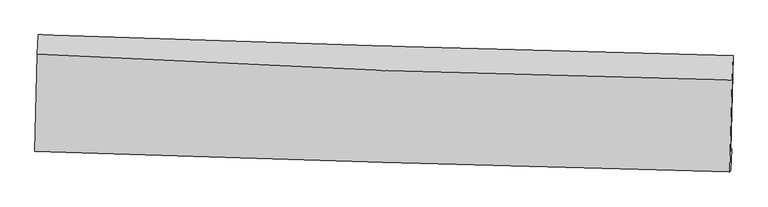
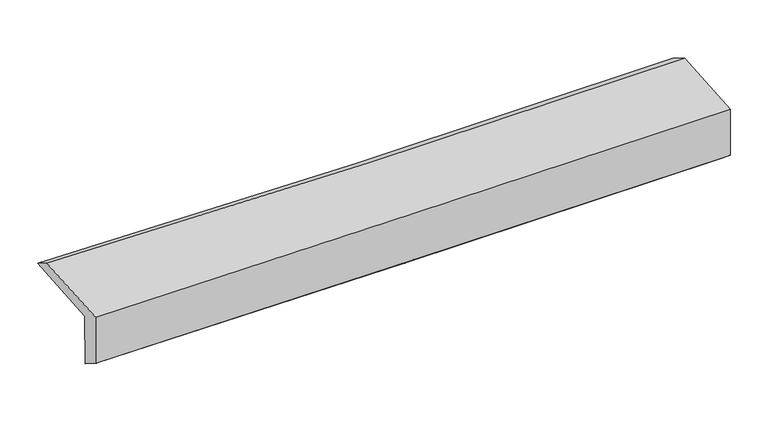
"""IFC4 building model written with IfcOpenShell, lengths in millimetres: proxy geometry."""

from ifc_helpers import new_model, si_unit, frame, origin, place, context, project, spatial, source, transform, mapped, element, save
from ifc_brep_helpers import plane_surface, spline_curve, spline_surface, advanced_brep


def generic_models_3095456d(model_context):
    return source(origin(), model_context, "Body", "AdvancedBrep", [
        advanced_brep(
        [(-2442.1278995, -1725.5104634, 2003.8225585), (-2425.8697207, -1060.5496123, 2030.7952959), (2427.2623046, -1207.0873603, 2108.5661292), (2410.3731716, -1872.541155, 2081.5615014), (-2434.5236807, -1713.0956066, 1603.3170511), (2417.9745977, -1860.1308578, 1681.2030844), (-2440.1843006, -1865.0736016, 1703.9748025), (2411.9250071, -2007.7272172, 1801.9461058), (-2447.5462207, -1877.0928747, 2091.7187118), (2404.563087, -2019.7464903, 2189.6900151), (-2430.7307767, -1193.9674623, 2113.2134785), (2420.992305, -1376.6045267, 2209.9380431)],
        [
            (0, 1),
            (1, 2, spline_curve(3, [(-2425.8697207, -1060.5496123, 2030.7952959), (-1613.564798827, -1088.999773526, 2029.616050782), (-801.308660162, -1115.478809421, 2035.563608177), (816.401213043, -1164.292316347, 2061.6043981), (1621.855749302, -1186.65919629, 2081.580451834), (2427.2623046, -1207.0873603, 2108.5661292)], [4, 2, 4], [0.0, 7.998661862799317, 15.931294110184943])),
            (2, 3),
            (3, 0, spline_curve(3, [(2410.3731716, -1872.541155, 2081.5615014), (1605.063887825, -1852.367584591, 2054.567486573), (799.710333343, -1830.087790295, 2034.58988267), (-817.789283423, -1781.112769254, 2008.559608993), (-1629.936086171, -1754.38233301, 2002.624232307), (-2442.1278995, -1725.5104634, 2003.8225585)], [4, 2, 4], [0.0, 7.932632247385627, 15.931294110184943])),
            (4, 0),
            (3, 5),
            (5, 4, spline_curve(3, [(2417.9745977, -1860.1308578, 1681.2030844), (1612.601868398, -1840.060870213, 1657.550665501), (807.216690901, -1817.832704941, 1639.238628108), (-810.282527329, -1768.857032709, 1613.187342267), (-1622.396775786, -1742.073447315, 1605.537368835), (-2434.5236807, -1713.0956066, 1603.3170511)], [4, 2, 4], [0.0, 7.932064018052878, 15.930152921694194])),
            (6, 4),
            (5, 7),
            (7, 6, spline_curve(3, [(2411.9250071, -2007.7272172, 1801.9461058), (1606.469594144, -1987.039966876, 1784.91802756), (801.075049602, -1964.864007078, 1768.271961424), (-816.295737126, -1917.337688233, 1735.608474502), (-1628.270961717, -1891.962443094, 1719.597439527), (-2440.1843006, -1865.0736016, 1703.9748025)], [4, 2, 4], [0.0, 7.931740565670429, 15.929503324577535])),
            (8, 6),
            (7, 9),
            (9, 8, spline_curve(3, [(2404.563087, -2019.7464903, 2189.6900151), (1599.107674171, -1999.059239801, 2172.661937022), (793.713129373, -1976.883280181, 2156.015870848), (-823.657657297, -1929.356961329, 2123.352383676), (-1635.632881725, -1903.981715996, 2107.341348854), (-2447.5462207, -1877.0928747, 2091.7187118)], [4, 2, 4], [0.0, 7.931561919834486, 15.92914454589409])),
            (10, 8),
            (9, 11),
            (11, 10, spline_curve(3, [(2420.992305, -1376.6045267, 2209.9380431), (1615.274937791, -1362.493646702, 2192.701137177), (809.780792368, -1340.315108603, 2176.053259954), (-807.463966552, -1279.570953019, 2143.801891658), (-1619.210848347, -1240.870469744, 2128.208247601), (-2430.7307767, -1193.9674623, 2113.2134785)], [4, 2, 4], [0.0, 7.932380085704994, 15.9307876878812])),
            (1, 10),
            (11, 2),
        ],
        [
            spline_surface(3, 3, [[(-2442.1278995, -1725.5104634, 2003.8225585), (-1629.936086226, -1754.382333129, 2002.624232274), (-817.789283529, -1781.112769246, 2008.559609107), (799.710333448, -1830.087790303, 2034.589882558), (1605.063887768, -1852.36758469, 2054.567486686), (2410.3731716, -1872.541155, 2081.5615014)], [(-2436.708506572, -1503.856846371, 2012.81347096), (-1624.478990449, -1532.588146604, 2011.621505081), (-812.295742371, -1559.23478266, 2017.56094211), (805.273959951, -1608.155965606, 2043.594721123), (1610.66117491, -1630.464788538, 2063.571808437), (2416.002882588, -1650.723223425, 2090.563044004)], [(-2431.289113628, -1282.203229329, 2021.80438344), (-1619.021894656, -1310.793960066, 2020.618777907), (-806.802201223, -1337.356796109, 2026.562275066), (810.837586444, -1386.224140944, 2052.599559641), (1616.258462088, -1408.561992412, 2072.576130176), (2421.632593612, -1428.905291875, 2099.564586596)], [(-2425.8697207, -1060.5496123, 2030.7952959), (-1613.564798879, -1088.999773541, 2029.616050714), (-801.308660065, -1115.478809523, 2035.56360807), (816.401212947, -1164.292316246, 2061.604398207), (1621.85574923, -1186.65919626, 2081.580451926), (2427.2623046, -1207.0873603, 2108.5661292)]], [4, 4], [4, 2, 4], [0.0, 2.1865751533548887], [0.0, 7.998661862799317, 15.931294110184943]),
            spline_surface(3, 3, [[(-2434.5236807, -1713.0956066, 1603.3170511), (-1622.396775688, -1742.073447341, 1605.537368763), (-810.282527228, -1768.857032629, 1613.187342383), (807.216690801, -1817.83270502, 1639.238627994), (1612.601868485, -1840.060870167, 1657.550665464), (2417.9745977, -1860.1308578, 1681.2030844)], [(-2437.058420322, -1717.233892174, 1736.818886889), (-1624.909879222, -1746.176409244, 1737.899656589), (-812.784779336, -1772.942278194, 1744.978097956), (804.714571676, -1821.917733474, 1771.022379514), (1610.089208237, -1844.163108347, 1789.889605858), (2415.440788991, -1864.267623539, 1814.655890053)], [(-2439.593159878, -1721.372177826, 1870.320722711), (-1627.422982692, -1750.279371226, 1870.261944448), (-815.287031422, -1777.027523681, 1876.768853533), (802.212452573, -1826.00276185, 1902.806131037), (1607.576548016, -1848.26534651, 1922.228546292), (2412.906980309, -1868.404389261, 1948.108695747)], [(-2442.1278995, -1725.5104634, 2003.8225585), (-1629.936086226, -1754.382333129, 2002.624232274), (-817.789283529, -1781.112769246, 2008.559609107), (799.710333448, -1830.087790303, 2034.589882558), (1605.063887768, -1852.36758469, 2054.567486686), (2410.3731716, -1872.541155, 2081.5615014)]], [4, 4], [4, 2, 4], [0.0, 1.2979759086015272], [0.0, 7.9980889036413165, 15.930152921694194]),
            spline_surface(3, 3, [[(-2440.1843006, -1865.0736016, 1703.9748025), (-1628.270961726, -1891.962442983, 1719.59743945), (-816.295737143, -1917.337688338, 1735.60847438), (801.075049618, -1964.864006973, 1768.271961544), (1606.469594262, -1987.039966798, 1784.91802768), (2411.9250071, -2007.7272172, 1801.9461058)], [(-2438.297427299, -1814.414269947, 1670.422218714), (-1626.312899713, -1841.99944445, 1681.577415902), (-814.291333809, -1867.844136433, 1694.801430384), (803.122263375, -1915.853572986, 1725.260850364), (1608.513685662, -1938.046934574, 1742.462240277), (2413.941537292, -1958.52843072, 1761.698432002)], [(-2436.410554001, -1763.754938253, 1636.869634886), (-1624.354837701, -1792.036445875, 1643.557392311), (-812.286930562, -1818.350584535, 1653.994386379), (805.169477044, -1866.843139007, 1682.249739174), (1610.557777085, -1889.053902391, 1700.006452867), (2415.958067508, -1909.32964428, 1721.450758198)], [(-2434.5236807, -1713.0956066, 1603.3170511), (-1622.396775688, -1742.073447341, 1605.537368763), (-810.282527228, -1768.857032629, 1613.187342383), (807.216690801, -1817.83270502, 1639.238627994), (1612.601868485, -1840.060870167, 1657.550665464), (2417.9745977, -1860.1308578, 1681.2030844)]], [4, 4], [4, 2, 4], [0.0, 0.6367781907664992], [0.0, 7.997762758907106, 15.929503324577535]),
            spline_surface(3, 3, [[(-2447.5462207, -1877.0928747, 2091.7187118), (-1635.632881826, -1903.981716083, 2107.34134875), (-823.657657343, -1929.356961438, 2123.35238368), (793.713129418, -1976.883280073, 2156.015870844), (1599.107674162, -1999.059239898, 2172.66193698), (2404.563087, -2019.7464903, 2189.6900151)], [(-2445.092247329, -1873.086450327, 1962.47074203), (-1633.178908455, -1899.975291711, 1978.09337898), (-821.203683972, -1925.350537065, 1994.104413911), (796.167102789, -1972.8768557, 2026.767901075), (1601.561647533, -1995.052815525, 2043.413967211), (2407.017060371, -2015.740065927, 2060.44204533)], [(-2442.638273971, -1869.080025973, 1833.22277227), (-1630.724935097, -1895.968867356, 1848.84540922), (-818.749710514, -1921.344112711, 1864.85644415), (798.621076247, -1968.870431346, 1897.519931314), (1604.015620891, -1991.04639117, 1914.16599745), (2409.471033729, -2011.733641573, 1931.19407557)], [(-2440.1843006, -1865.0736016, 1703.9748025), (-1628.270961726, -1891.962442983, 1719.59743945), (-816.295737143, -1917.337688338, 1735.60847438), (801.075049618, -1964.864006973, 1768.271961544), (1606.469594262, -1987.039966798, 1784.91802768), (2411.9250071, -2007.7272172, 1801.9461058)]], [4, 4], [4, 2, 4], [0.0, 1.2729658792650842], [0.0, 7.997582626059604, 15.92914454589409]),
            spline_surface(3, 3, [[(-2430.7307767, -1193.9674623, 2113.2134785), (-1619.210848242, -1240.870469792, 2128.208247471), (-807.463966496, -1279.570953107, 2143.80189168), (809.780792313, -1340.315108516, 2176.053259932), (1615.274937789, -1362.493646667, 2192.701137255), (2420.992305, -1376.6045267, 2209.9380431)], [(-2436.335924696, -1421.675933119, 2106.048556274), (-1624.684859433, -1461.907551908, 2121.252614571), (-812.861863426, -1496.1662892, 2136.985389027), (804.4249047, -1552.504499018, 2169.37413025), (1609.885849915, -1574.682177774, 2186.021403853), (2415.515899002, -1590.985181263, 2203.188700456)], [(-2441.941072704, -1649.384403881, 2098.883634026), (-1630.158870636, -1682.944633967, 2114.29698165), (-818.259760413, -1712.761625345, 2130.168886334), (799.069017031, -1764.693889571, 2162.695000527), (1604.496762036, -1786.870708791, 2179.341670382), (2410.039492998, -1805.365835737, 2196.439357744)], [(-2447.5462207, -1877.0928747, 2091.7187118), (-1635.632881826, -1903.981716083, 2107.34134875), (-823.657657343, -1929.356961438, 2123.35238368), (793.713129418, -1976.883280073, 2156.015870844), (1599.107674162, -1999.059239898, 2172.66193698), (2404.563087, -2019.7464903, 2189.6900151)]], [4, 4], [4, 2, 4], [0.0, 2.11205011755061], [0.0, 7.998407602176205, 15.9307876878812]),
            spline_surface(3, 3, [[(-2425.8697207, -1060.5496123, 2030.7952959), (-1613.564798879, -1088.999773541, 2029.616050714), (-801.308660065, -1115.478809523, 2035.56360807), (816.401212947, -1164.292316246, 2061.604398207), (1621.85574923, -1186.65919626, 2081.580451926), (2427.2623046, -1207.0873603, 2108.5661292)], [(-2427.490072682, -1105.022228962, 2058.268023432), (-1615.446815315, -1139.623338953, 2062.480116299), (-803.36042889, -1170.176190729, 2071.643035912), (814.194406054, -1222.966580348, 2099.754018754), (1619.662145439, -1245.270679722, 2118.620680356), (2425.172304755, -1263.593082426, 2142.356767154)], [(-2429.110424718, -1149.494845638, 2085.740750968), (-1617.328831806, -1190.24690438, 2095.344181886), (-805.412197671, -1224.8735719, 2107.722463838), (811.987599206, -1281.640844414, 2137.903639385), (1617.468541581, -1303.882163205, 2155.660908824), (2423.082304845, -1320.098804574, 2176.147405146)], [(-2430.7307767, -1193.9674623, 2113.2134785), (-1619.210848242, -1240.870469792, 2128.208247471), (-807.463966496, -1279.570953107, 2143.80189168), (809.780792313, -1340.315108516, 2176.053259932), (1615.274937789, -1362.493646667, 2192.701137255), (2420.992305, -1376.6045267, 2209.9380431)]], [4, 4], [4, 2, 4], [0.0, 0.6670277830665639], [0.0, 7.999142113731076, 15.93225064753729]),
            plane_surface(frame((2415.5150788, -1723.9729346, 2012.1508132), z_axis=(0.9994941210168213, -0.026104296113270194, 0.01816776753601182), x_axis=(0.018974020909874233, 0.030977508036830158, -0.9993399724449832))),
            plane_surface(frame((-2436.8304332, -1572.5482701, 1924.4736497), z_axis=(-0.9995173992105756, 0.025176151216334965, -0.018196980113728813), x_axis=(-0.024422452345830247, -0.9988803120680891, -0.04051747751492805))),
        ],
        [
            (0, [[1, 2, 3, 4]]),
            (1, [[5, -4, 6, 7]]),
            (2, [[8, -7, 9, 10]]),
            (3, [[11, -10, 12, 13]]),
            (4, [[14, -13, 15, 16]]),
            (5, [[17, -16, 18, -2]]),
            (6, [[-12, -9, -6, -3, -18, -15]]),
            (7, [[-1, -5, -8, -11, -14, -17]]),
        ],
    ),
    ])


if __name__ == "__main__":
    model = new_model("IFC4")
    model_context = context("Model", 3, world=origin())
    ifc_project = project(units=[si_unit("LENGTHUNIT", "METRE", prefix="MILLI")], contexts=[model_context])
    site = spatial("IfcSite", under=ifc_project)
    building = spatial("IfcBuilding", under=site)
    placement = place(None, origin())
    generic_models_shape = generic_models_3095456d(model_context)
    element("IfcBuildingElementProxy", 1, Name="Generic Models", at=placement, inside=building, context=model_context, shape_type="MappedRepresentation", body=[
        mapped(generic_models_shape, transform((0.0, 0.0, 0.0), x_axis=(1.0, 0.0, 0.0), y_axis=(0.0, 1.0, 0.0), z_axis=(0.0, 0.0, 1.0))),
    ])
    save(model, "model.ifc")
